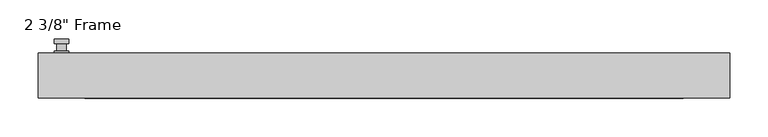
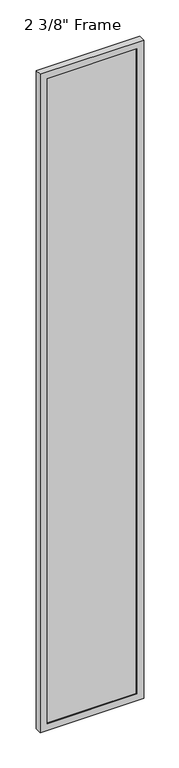
"""IFC4 building model written with IfcOpenShell, lengths in millimetres: plate geometry."""

from ifc_helpers import new_model, si_unit, frame, origin, place, context, project, spatial, polyline, circle_curve, outline, extrude, faceted_brep, source, transform, mapped, element, save
from ifc_brep_helpers import plane_surface, cylinder_surface, advanced_brep


def plate_35dc38b8(model_context):
    return source(origin(), model_context, "Body", "SolidModel", [
        advanced_brep(
        [(-410.5275, 29.36875, 927.1), (-429.5775, 29.36875, 927.1), (-429.5775, 29.36875, 901.7), (-410.5275, 29.36875, 901.7), (-413.7025, 42.06875, 914.4), (-413.7025, 32.54375, 914.4), (-426.4025, 32.54375, 914.4), (-426.4025, 42.06875, 914.4), (-410.5275, 42.06875, 914.4), (-429.5775, 42.06875, 914.4), (-426.3984644, 42.06875, 825.2736467), (-413.7065356, 42.06875, 825.2736467), (-410.5275, 48.41875, 914.4), (-413.7065356, 48.41875, 825.2736467), (-426.3984644, 48.41875, 825.2736467), (-429.5775, 48.41875, 914.4), (-410.5275, 32.54375, 927.1), (-410.5275, 32.54375, 901.7), (-429.5775, 32.54375, 901.7), (-429.5775, 32.54375, 927.1)],
        [
            (0, 1, circle_curve(frame((-420.0525, 29.36875, 927.1), z_axis=(0.0, -1.0, 0.0), x_axis=(-1.0, 0.0, 0.0)), 9.525)),
            (1, 2),
            (2, 3, circle_curve(frame((-420.0525, 29.36875, 901.7), z_axis=(0.0, -1.0, 0.0), x_axis=(-1.0, 0.0, 0.0)), 9.525)),
            (3, 0),
            (4, 5),
            (5, 6, circle_curve(frame((-420.0525, 32.54375, 914.4), z_axis=(0.0, 1.0, 0.0), x_axis=(-1.0, 0.0, 0.0)), 6.35)),
            (6, 7),
            (7, 4, circle_curve(frame((-420.0525, 42.06875, 914.4), z_axis=(0.0, -1.0, 0.0), x_axis=(-1.0, 0.0, 0.0)), 6.35)),
            (6, 5, circle_curve(frame((-420.0525, 32.54375, 914.4), z_axis=(0.0, 1.0, 0.0), x_axis=(-1.0, 0.0, 0.0)), 6.35)),
            (4, 7, circle_curve(frame((-420.0525, 42.06875, 914.4), z_axis=(0.0, -1.0, 0.0), x_axis=(-1.0, 0.0, 0.0)), 6.35)),
            (8, 9, circle_curve(frame((-420.0525, 42.06875, 914.4), z_axis=(0.0, -1.0, 0.0), x_axis=(-1.0, 0.0, 0.0)), 9.525)),
            (9, 10),
            (10, 11, circle_curve(frame((-420.0525, 42.06875, 825.5), z_axis=(0.0, -1.0, 0.0), x_axis=(-1.0, 0.0, 0.0)), 6.35)),
            (11, 8),
            (12, 13),
            (13, 14, circle_curve(frame((-420.0525, 48.41875, 825.5), z_axis=(0.0, 1.0, 0.0), x_axis=(-1.0, 0.0, 0.0)), 6.35)),
            (14, 15),
            (15, 12, circle_curve(frame((-420.0525, 48.41875, 914.4), z_axis=(0.0, 1.0, 0.0), x_axis=(-1.0, 0.0, 0.0)), 9.525)),
            (11, 13),
            (12, 8),
            (10, 14),
            (9, 15),
            (16, 17),
            (17, 18, circle_curve(frame((-420.0525, 32.54375, 901.7), z_axis=(0.0, 1.0, 0.0), x_axis=(-1.0, 0.0, 0.0)), 9.525)),
            (18, 19),
            (19, 16, circle_curve(frame((-420.0525, 32.54375, 927.1), z_axis=(0.0, 1.0, 0.0), x_axis=(-1.0, 0.0, 0.0)), 9.525)),
            (3, 17),
            (16, 0),
            (2, 18),
            (1, 19),
        ],
        [
            plane_surface(frame((-426.4025, 29.36875, 914.4), z_axis=(0.0, -1.0, 0.0), x_axis=(0.0, 0.0, 1.0))),
            cylinder_surface(frame((-420.0525, 42.06875, 914.4), z_axis=(0.0, -1.0, 0.0), x_axis=(-1.0, 0.0, 0.0)), 6.35),
            plane_surface(frame((-410.5275, 42.06875, 914.4), z_axis=(0.0, -1.0000000000000002, 0.0), x_axis=(-0.03564619348186888, 0.0, -0.9993644724975235))),
            plane_surface(frame((-410.5275, 48.41875, 914.4), z_axis=(0.0, 1.0000000000000002, 0.0), x_axis=(0.03564619348186888, 0.0, 0.9993644724975235))),
            plane_surface(frame((-410.5275, 42.06875, 914.4), z_axis=(0.9993644724975235, 0.0, -0.03564619348186888), x_axis=(0.0, 1.0, 0.0))),
            cylinder_surface(frame((-420.0525, 48.41875, 825.5), z_axis=(0.0, -1.0, 0.0), x_axis=(-1.0, 0.0, 0.0)), 6.35),
            plane_surface(frame((-426.3984644, 42.06875, 825.2736467), z_axis=(-0.9993644724975228, 0.0, -0.03564619348188612), x_axis=(0.0, 1.0, 0.0))),
            cylinder_surface(frame((-420.0525, 48.41875, 914.4), z_axis=(0.0, -1.0, 0.0), x_axis=(-1.0, 0.0, 0.0)), 9.525),
            plane_surface(frame((-410.5275, 32.54375, 901.7), z_axis=(0.0, 1.0, 0.0), x_axis=(0.0, 0.0, 1.0))),
            plane_surface(frame((-410.5275, 29.36875, 927.1), z_axis=(1.0, 0.0, 0.0), x_axis=(0.0, 1.0, 0.0))),
            cylinder_surface(frame((-420.0525, 32.54375, 901.7), z_axis=(0.0, -1.0, 0.0), x_axis=(-1.0, 0.0, 0.0)), 9.525),
            plane_surface(frame((-429.5775, 29.36875, 901.7), z_axis=(-1.0, 0.0, 0.0), x_axis=(0.0, 1.0, 0.0))),
            cylinder_surface(frame((-420.0525, 32.54375, 927.1), z_axis=(0.0, -1.0, 0.0), x_axis=(-1.0, 0.0, 0.0)), 9.525),
        ],
        [
            (0, [[1, 2, 3, 4]]),
            (1, [[5, 6, 7, 8]]),
            (1, [[-7, 9, -5, 10]]),
            (2, [[11, 12, 13, 14], [-10, -8]]),
            (3, [[15, 16, 17, 18]]),
            (4, [[19, -15, 20, -14]]),
            (5, [[21, -16, -19, -13]]),
            (6, [[22, -17, -21, -12]]),
            (7, [[-20, -18, -22, -11]]),
            (8, [[23, 24, 25, 26], [-9, -6]]),
            (9, [[27, -23, 28, -4]]),
            (10, [[29, -24, -27, -3]]),
            (11, [[30, -25, -29, -2]]),
            (12, [[-28, -26, -30, -1]]),
        ],
    ),
        faceted_brep([(-450.215, 29.36875, 0.0), (450.215, 29.36875, 0.0), (450.215, -29.36875, 0.0), (-450.215, -29.36875, 0.0), (-389.89, -29.36875, 5983.2875), (-389.89, -29.36875, 60.325), (-389.89, -19.84375, 60.325), (-389.89, -19.84375, 5983.2875), (402.59, -19.84375, 5995.9875), (402.59, -19.84375, 47.625), (-402.59, -19.84375, 47.625), (-402.59, -19.84375, 5995.9875), (389.89, -19.84375, 60.325), (389.89, -19.84375, 5983.2875), (-402.59, 3.96875, 47.625), (-402.59, 3.96875, 5995.9875), (402.59, 3.96875, 47.625), (402.59, 3.96875, 5995.9875), (-389.89, 3.96875, 5983.2875), (389.89, 3.96875, 5983.2875), (389.89, 3.96875, 60.325), (-389.89, 3.96875, 60.325), (-389.89, 29.36875, 60.325), (-389.89, 29.36875, 5983.2875), (-450.215, 29.36875, 6043.6125), (450.215, 29.36875, 6043.6125), (389.89, 29.36875, 60.325), (389.89, 29.36875, 5983.2875), (-450.215, -29.36875, 6043.6125), (450.215, -29.36875, 6043.6125), (389.89, -29.36875, 5983.2875), (389.89, -29.36875, 60.325)], [[[0, 1, 2, 3]], [[4, 5, 6, 7]], [[8, 9, 10, 11], [7, 6, 12, 13]], [[10, 14, 15, 11]], [[15, 14, 16, 17], [18, 19, 20, 21]], [[18, 21, 22, 23]], [[0, 24, 25, 1], [23, 22, 26, 27]], [[3, 28, 24, 0]], [[2, 29, 28, 3], [4, 30, 31, 5]], [[7, 13, 30, 4]], [[11, 15, 17, 8]], [[18, 23, 27, 19]], [[24, 28, 29, 25]], [[13, 12, 31, 30]], [[16, 9, 8, 17]], [[27, 26, 20, 19]], [[25, 29, 2, 1]], [[22, 21, 20, 26]], [[9, 16, 14, 10]], [[6, 5, 31, 12]]]),
        extrude(outline(polyline([(402.59, 3.96875), (402.59, -19.84375), (-402.59, -19.84375), (-402.59, 3.96875), (402.59, 3.96875)])), frame((0.0, 0.0, 47.625), z_axis=(0.0, 0.0, 1.0), x_axis=(1.0, 0.0, 0.0)), (0.0, 0.0, 1.0), 5948.3625),
    ])


if __name__ == "__main__":
    model = new_model("IFC4")
    model_context = context("Model", 3, world=origin())
    ifc_project = project(units=[si_unit("LENGTHUNIT", "METRE", prefix="MILLI")], contexts=[model_context])
    site = spatial("IfcSite", under=ifc_project)
    building = spatial("IfcBuilding", under=site)
    placement = place(None, origin())
    plate_shape = plate_35dc38b8(model_context)
    element("IfcPlate", 1, ObjectType="2 3/8\" Frame", at=placement, inside=building, context=model_context, shape_type="MappedRepresentation", body=[
        mapped(plate_shape, transform((0.0, 0.0, 0.0), x_axis=(1.0, 0.0, 0.0), y_axis=(0.0, 1.0, 0.0), z_axis=(0.0, 0.0, 1.0))),
    ])
    save(model, "model.ifc")
